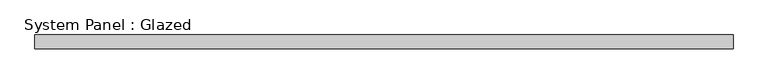
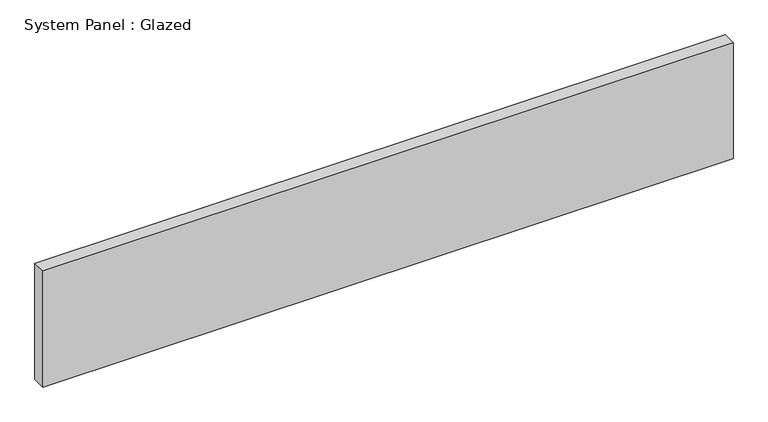
"""IFC4 building model written with IfcOpenShell, lengths in millimetres: plate geometry, System Panel : Glazed."""

from ifc_helpers import new_model, si_unit, origin, origin_with_axes, place, context, project, spatial, polyline, outline, extrude, source, transform, mapped, element, save


def system_panel_glazed_e9a1af58(model_context):
    return source(origin(), model_context, "Body", "SweptSolid", [
        extrude(outline(polyline([(632.0882652, 24.5), (-632.0882652, 24.5), (-632.0882652, 49.5), (632.0882652, 49.5), (632.0882652, 24.5)])), origin_with_axes(), (0.0, 0.0, 1.0), 225.0),
    ])


if __name__ == "__main__":
    model = new_model("IFC4")
    model_context = context("Model", 3, world=origin())
    ifc_project = project(units=[si_unit("LENGTHUNIT", "METRE", prefix="MILLI")], contexts=[model_context])
    site = spatial("IfcSite", under=ifc_project)
    building = spatial("IfcBuilding", under=site)
    placement = place(None, origin())
    system_panel_glazed_shape = system_panel_glazed_e9a1af58(model_context)
    element("IfcPlate", 1, ObjectType="System Panel : Glazed", at=placement, inside=building, context=model_context, shape_type="MappedRepresentation", body=[
        mapped(system_panel_glazed_shape, transform((0.0, 0.0, 0.0), x_axis=(1.0, 0.0, 0.0), y_axis=(0.0, 1.0, 0.0), z_axis=(0.0, 0.0, 1.0))),
    ])
    save(model, "model.ifc")
